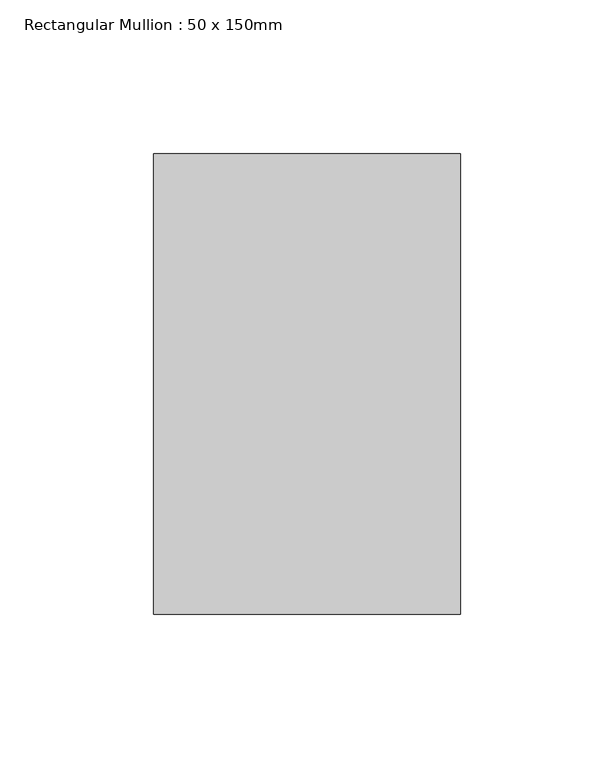
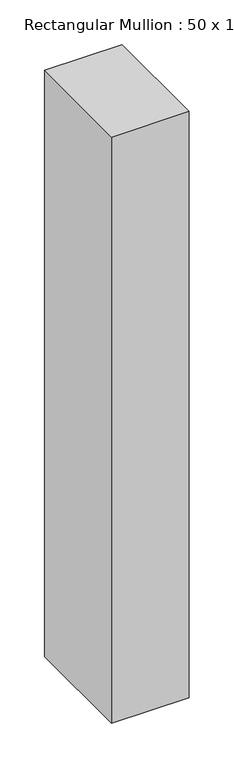
"""IFC4 building model written with IfcOpenShell, lengths in millimetres: member geometry, Rectangular Mullion : 50 x 150mm."""

from ifc_helpers import new_model, si_unit, frame, origin, place, context, project, spatial, polyline, outline, extrude, source, transform, mapped, element, save


def rectangular_mullion_50_x_150mm_7851f058(model_context):
    return source(origin(), model_context, "Body", "SweptSolid", [
        extrude(outline(polyline([(0.0, 75.0), (0.0, -75.0), (-100.0, -75.0), (-100.0, 75.0), (0.0, 75.0)])), frame((0.0, 0.0, -800.0), z_axis=(0.0, 0.0, 1.0), x_axis=(1.0, 0.0, 0.0)), (0.0, 0.0, 1.0), 800.0),
    ])


if __name__ == "__main__":
    model = new_model("IFC4")
    model_context = context("Model", 3, world=origin())
    ifc_project = project(units=[si_unit("LENGTHUNIT", "METRE", prefix="MILLI")], contexts=[model_context])
    site = spatial("IfcSite", under=ifc_project)
    building = spatial("IfcBuilding", under=site)
    placement = place(None, origin())
    rectangular_mullion_50_x_150mm_shape = rectangular_mullion_50_x_150mm_7851f058(model_context)
    element("IfcMember", 1, ObjectType="Rectangular Mullion : 50 x 150mm", at=placement, inside=building, context=model_context, shape_type="MappedRepresentation", body=[
        mapped(rectangular_mullion_50_x_150mm_shape, transform((0.0, 0.0, 0.0), x_axis=(1.0, 0.0, 0.0), y_axis=(0.0, 1.0, 0.0), z_axis=(0.0, 0.0, 1.0))),
    ])
    save(model, "model.ifc")
